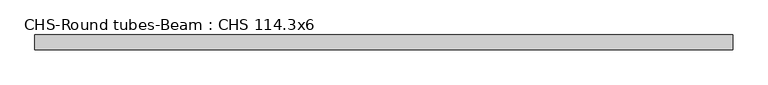
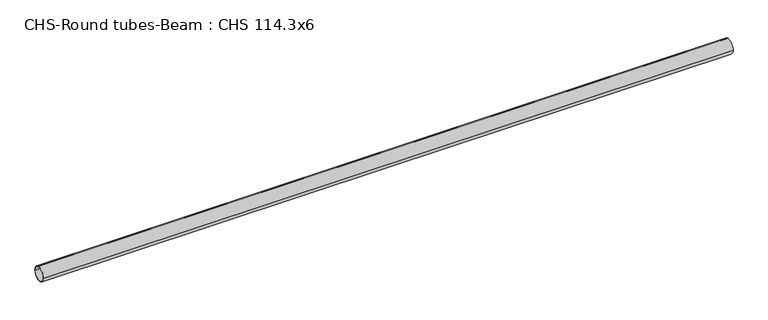
"""IFC4 building model written with IfcOpenShell, lengths in millimetres: beam geometry, CHS-Round tubes-Beam : CHS 114.3x6."""

from ifc_helpers import new_model, si_unit, point, frame, origin, origin_2d, place, context, project, spatial, circle_curve, trimmed, segment, composite_curve, outline, extrude, source, transform, mapped, element, save


def chs_round_tubes_beam_chs_114_3x6_69479ffd(model_context):
    return source(origin(), model_context, "Body", "SweptSolid", [
        extrude(outline(composite_curve([segment(trimmed(circle_curve(origin_2d(), 57.15), [point((57.15, 0.0))], [point((-57.15, 0.0))], False, "CARTESIAN"), True, "CONTINUOUS"), segment(trimmed(circle_curve(origin_2d(), 57.15), [point((-57.15, 0.0))], [point((57.15, 0.0))], False, "CARTESIAN"), True, "CONTINUOUS")], self_intersect=False), holes=[composite_curve([segment(trimmed(circle_curve(origin_2d(), 51.15), [point((51.15, 0.0))], [point((-51.15, 0.0))], True, "CARTESIAN"), True, "CONTINUOUS"), segment(trimmed(circle_curve(origin_2d(), 51.15), [point((-51.15, 0.0))], [point((51.15, 0.0))], True, "CARTESIAN"), True, "CONTINUOUS")], self_intersect=False)]), frame((-2722.145242, 0.0, 0.0), z_axis=(1.0, 0.0, 0.0), x_axis=(0.0, 1.0, 0.0)), (0.0, 0.0, 1.0), 5399.971822),
    ])


if __name__ == "__main__":
    model = new_model("IFC4")
    model_context = context("Model", 3, world=origin())
    ifc_project = project(units=[si_unit("LENGTHUNIT", "METRE", prefix="MILLI")], contexts=[model_context])
    site = spatial("IfcSite", under=ifc_project)
    building = spatial("IfcBuilding", under=site)
    placement = place(None, origin())
    chs_round_tubes_beam_chs_114_3x6_shape = chs_round_tubes_beam_chs_114_3x6_69479ffd(model_context)
    element("IfcBeam", 1, ObjectType="CHS-Round tubes-Beam : CHS 114.3x6", at=placement, inside=building, context=model_context, shape_type="MappedRepresentation", body=[
        mapped(chs_round_tubes_beam_chs_114_3x6_shape, transform((0.0, 0.0, 0.0), x_axis=(1.0, 0.0, 0.0), y_axis=(0.0, 1.0, 0.0), z_axis=(0.0, 0.0, 1.0))),
    ])
    save(model, "model.ifc")
